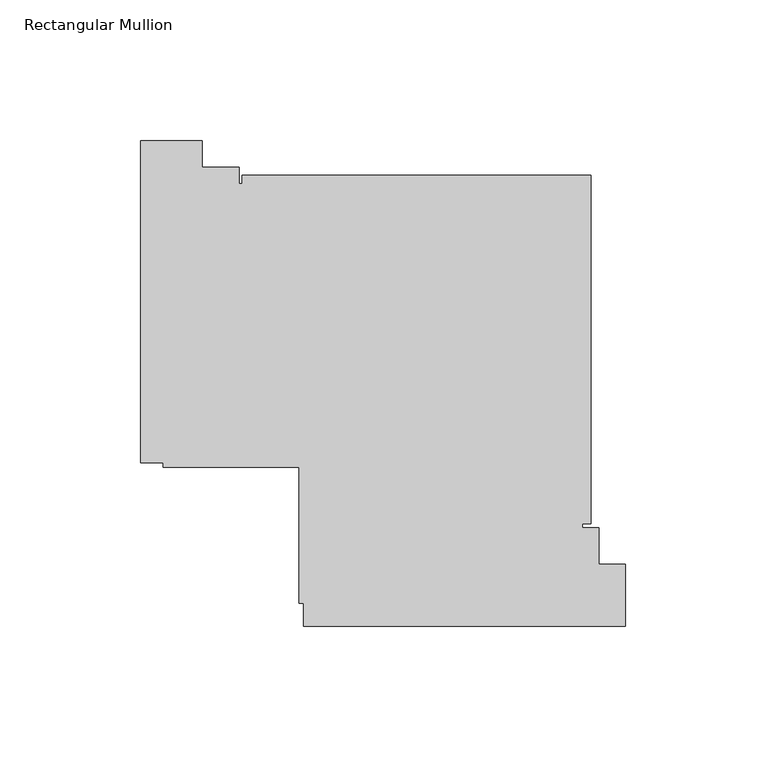
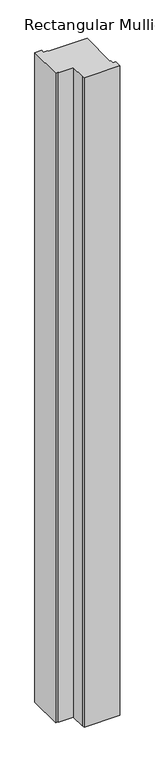
"""IFC4 building model written with IfcOpenShell, lengths in millimetres: member geometry, Rectangular Mullion."""

from ifc_helpers import new_model, si_unit, frame, origin, place, context, project, spatial, polyline, outline, extrude, source, transform, mapped, element, save


def rectangular_mullion_3d09652f(model_context):
    return source(origin(), model_context, "Body", "SweptSolid", [
        extrude(outline(polyline([(-192.0097665, -15.0000854), (-170.0099868, -15.0000854), (-170.0099868, -24.5000025), (-157.0084604, -24.5000025), (-157.0084604, -30.3000025), (-155.8100025, -30.3000025), (-155.8100025, -27.3000025), (-31.8100025, -27.3000025), (-31.8100025, -151.3000025), (-34.8100025, -151.3000025), (-34.8100025, -152.6999669), (-29.0100025, -152.6999669), (-29.0100025, -165.699906), (-19.5100025, -165.699906), (-19.5100025, -187.6999669), (-134.0100025, -187.6999669), (-134.0100025, -179.5000025), (-135.6100025, -179.5000025), (-135.6100025, -131.1000025), (-184.0100025, -131.1000025), (-184.0100025, -129.5000025), (-192.0097665, -129.5000025), (-192.0097665, -15.0000854)])), frame((0.0, 0.0, -2200.0), z_axis=(0.0, 0.0, 1.0), x_axis=(1.0, 0.0, 0.0)), (0.0, 0.0, 1.0), 2200.0),
    ])


if __name__ == "__main__":
    model = new_model("IFC4")
    model_context = context("Model", 3, world=origin())
    ifc_project = project(units=[si_unit("LENGTHUNIT", "METRE", prefix="MILLI")], contexts=[model_context])
    site = spatial("IfcSite", under=ifc_project)
    building = spatial("IfcBuilding", under=site)
    placement = place(None, origin())
    rectangular_mullion_shape = rectangular_mullion_3d09652f(model_context)
    element("IfcMember", 1, ObjectType="Rectangular Mullion", at=placement, inside=building, context=model_context, shape_type="MappedRepresentation", body=[
        mapped(rectangular_mullion_shape, transform((0.0, 0.0, 0.0), x_axis=(1.0, 0.0, 0.0), y_axis=(0.0, 1.0, 0.0), z_axis=(0.0, 0.0, 1.0))),
    ])
    save(model, "model.ifc")
